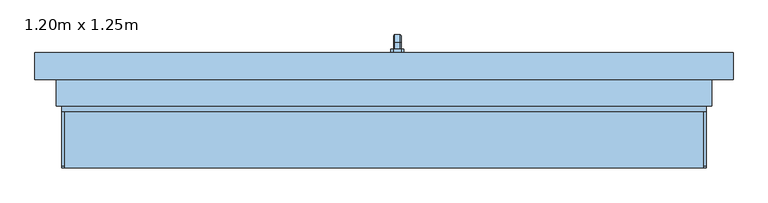
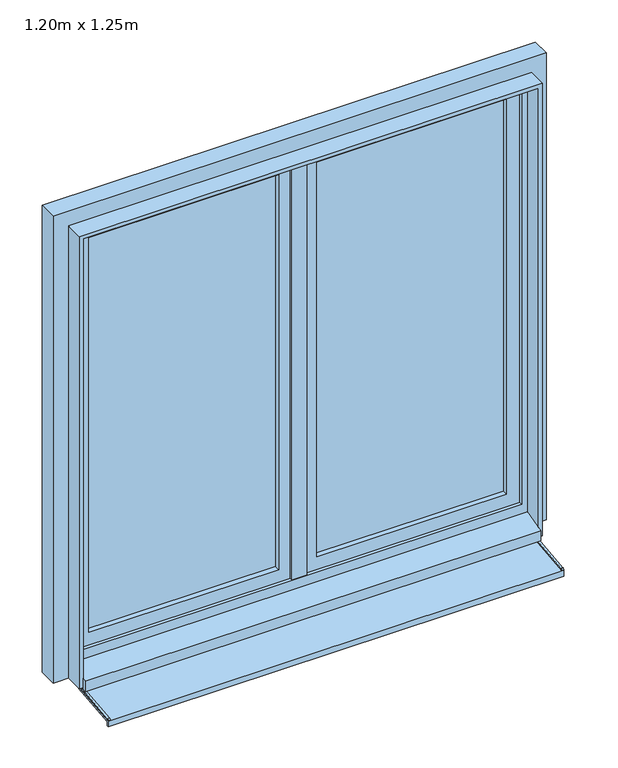
"""IFC4 building model written with IfcOpenShell, lengths in millimetres: window geometry, 1.20m x 1.25m."""

from ifc_helpers import new_model, si_unit, point, frame, frame_2d, origin, place, context, project, spatial, polyline, circle_curve, trimmed, segment, composite_curve, outline, extrude, faceted_brep, source, transform, mapped, element, save


def window_1_20m_x_1_25m_c4d425f4(model_context):
    return source(origin(), model_context, "Body", "SolidModel", [
        faceted_brep([(30.6460097, 106.0, 1422.0339292), (19.3539903, 106.0, 1422.0339292), (17.9660708, 106.0, 1420.6460097), (17.9660708, 106.0, 1409.3323012), (19.3323012, 106.0, 1407.9660708), (30.6676988, 106.0, 1407.9660708), (32.0339292, 106.0, 1409.3323012), (32.0339292, 106.0, 1420.6460097), (32.0339292, 118.3386538, 1420.6460097), (30.6460097, 118.9135489, 1422.0339292), (32.0339292, 113.6523623, 1409.3323012), (32.0339292, 120.3323012, 1402.6523623), (32.0339292, 120.3323012, 1320.0), (32.0339292, 131.6460097, 1320.0), (32.0339292, 131.6460097, 1407.3386538), (30.6676988, 113.0864511, 1407.9660708), (19.3323012, 113.0864511, 1407.9660708), (17.9660708, 113.6523623, 1409.3323012), (17.9660708, 118.3386538, 1420.6460097), (17.9660708, 131.6460097, 1407.3386538), (17.9660708, 131.6460097, 1320.0), (17.9660708, 120.3323012, 1320.0), (17.9660708, 120.3323012, 1402.6523623), (19.3539903, 118.9135489, 1422.0339292), (30.6460097, 133.0339292, 1407.9135489), (30.6676988, 118.9660708, 1402.0864511), (19.3323012, 118.9660708, 1402.0864511), (19.3539903, 133.0339292, 1407.9135489), (30.6460097, 133.0339292, 1320.0), (30.6676988, 118.9660708, 1320.0), (19.3323012, 118.9660708, 1320.0), (19.3539903, 133.0339292, 1320.0)], [[[0, 1, 2, 3, 4, 5, 6, 7]], [[7, 8, 9, 0]], [[6, 10, 11, 12, 13, 14, 8, 7]], [[5, 15, 10, 6]], [[4, 16, 15, 5]], [[3, 17, 16, 4]], [[2, 18, 19, 20, 21, 22, 17, 3]], [[1, 23, 18, 2]], [[0, 9, 23, 1]], [[8, 14, 24, 9]], [[15, 25, 11, 10]], [[16, 26, 25, 15]], [[17, 22, 26, 16]], [[23, 27, 19, 18]], [[9, 24, 27, 23]], [[28, 13, 12, 29, 30, 21, 20, 31]], [[14, 13, 28, 24]], [[25, 29, 12, 11]], [[26, 30, 29, 25]], [[22, 21, 30, 26]], [[27, 31, 20, 19]], [[24, 28, 31, 27]]]),
        extrude(outline(polyline([(1440.0, 32.0), (1440.0, 18.0), (1435.0, 13.0), (1365.0, 13.0), (1360.0, 18.0), (1360.0, 32.0), (1365.0, 37.0), (1435.0, 37.0), (1440.0, 32.0)])), frame((0.0, 100.0, 0.0), z_axis=(0.0, 1.0, 0.0), x_axis=(0.0, 0.0, 1.0)), (0.0, 0.0, 1.0), 6.0),
        extrude(outline(polyline([(-115.0, 776.06614), (15.0, 789.7296906), (15.0, 800.0), (20.0, 800.0), (20.0, 785.0), (-110.0, 771.3364494), (-110.0, 761.0359447), (-115.0, 760.5104235), (-115.0, 776.06614)])), frame((-600.0, 0.0, 0.0), z_axis=(1.0, 0.0, 0.0), x_axis=(0.0, 1.0, 0.0)), (0.0, 0.0, 1.0), 1200.0),
        extrude(outline(composite_curve([segment(polyline([(-115.0, 776.06614), (-115.0, 777.4920652)]), True, "CONTINUOUS"), segment(trimmed(circle_curve(frame_2d((-111.0, 777.4920652)), 4.0), [point((-115.0, 777.4920652))], [point((-111.4181139, 781.4701528))], False, "CARTESIAN"), True, "CONTINUOUS"), segment(polyline([(-111.4181139, 781.4701528), (15.0, 794.757232), (15.0, 789.7296906), (-115.0, 776.06614)]), True, "CONTINUOUS")], self_intersect=False)), frame((-600.0, 0.0, 0.0), z_axis=(1.0, 0.0, 0.0), x_axis=(0.0, 1.0, 0.0)), (0.0, 0.0, 1.0), 5.0),
        extrude(outline(composite_curve([segment(polyline([(-115.0, 776.06614), (-115.0, 777.4920652)]), True, "CONTINUOUS"), segment(trimmed(circle_curve(frame_2d((-111.0, 777.4920652)), 4.0), [point((-115.0, 777.4920652))], [point((-111.4181139, 781.4701528))], False, "CARTESIAN"), True, "CONTINUOUS"), segment(polyline([(-111.4181139, 781.4701528), (15.0, 794.757232), (15.0, 789.7296906), (-115.0, 776.06614)]), True, "CONTINUOUS")], self_intersect=False)), frame((595.0, 0.0, 0.0), z_axis=(1.0, 0.0, 0.0), x_axis=(0.0, 1.0, 0.0)), (0.0, 0.0, 1.0), 5.0),
        extrude(outline(polyline([(850.0, -600.0), (850.0, 0.0), (2050.0, 0.0), (2050.0, -600.0), (850.0, -600.0)]), holes=[polyline([(900.0, -50.0), (900.0, -550.0), (2000.0, -550.0), (2000.0, -50.0), (900.0, -50.0)])]), frame((0.0, 60.0, 0.0), z_axis=(0.0, 1.0, 0.0), x_axis=(0.0, 0.0, 1.0)), (0.0, 0.0, 1.0), 40.0),
        extrude(outline(polyline([(50.0, 74.0), (50.0, 86.0), (550.0, 86.0), (550.0, 74.0), (50.0, 74.0)])), frame((0.0, 0.0, 900.0), z_axis=(0.0, 0.0, 1.0), x_axis=(1.0, 0.0, 0.0)), (0.0, 0.0, 1.0), 1100.0),
        extrude(outline(polyline([(-550.0, 74.0), (-550.0, 86.0), (-50.0, 86.0), (-50.0, 74.0), (-550.0, 74.0)])), frame((0.0, 0.0, 900.0), z_axis=(0.0, 0.0, 1.0), x_axis=(1.0, 0.0, 0.0)), (0.0, 0.0, 1.0), 1100.0),
        extrude(outline(polyline([(850.0, 0.0), (850.0, 600.0), (2050.0, 600.0), (2050.0, 0.0), (850.0, 0.0)]), holes=[polyline([(900.0, 550.0), (900.0, 50.0), (2000.0, 50.0), (2000.0, 550.0), (900.0, 550.0)])]), frame((0.0, 60.0, 0.0), z_axis=(0.0, 1.0, 0.0), x_axis=(0.0, 0.0, 1.0)), (0.0, 0.0, 1.0), 40.0),
        faceted_brep([(-650.0, 100.0, 800.0), (650.0, 100.0, 800.0), (650.0, 50.0, 800.0), (600.0, 50.0, 800.0), (600.0, 0.0, 800.0), (-600.0, 0.0, 800.0), (-600.0, 50.0, 800.0), (-650.0, 50.0, 800.0), (-650.0, 50.0, 2100.0), (-650.0, 100.0, 2100.0), (-600.0, 50.0, 839.3761425), (600.0, 50.0, 839.3761425), (650.0, 50.0, 2100.0), (-585.0, 50.0, 2035.0), (585.0, 50.0, 2035.0), (585.0, 50.0, 865.0), (-585.0, 50.0, 865.0), (-600.0, 0.0, 795.0), (-600.0, -10.0, 795.0), (-600.0, -10.0, 823.2991909), (600.0, 0.0, 795.0), (600.0, -10.0, 823.2991909), (600.0, -10.0, 795.0), (650.0, 100.0, 2100.0), (600.0, 100.0, 2050.0), (-600.0, 100.0, 2050.0), (-600.0, 100.0, 850.0), (600.0, 100.0, 850.0), (-585.0, 60.0, 865.0), (-585.0, 60.0, 2035.0), (585.0, 60.0, 865.0), (585.0, 60.0, 2035.0), (600.0, 60.0, 2050.0), (600.0, 60.0, 850.0), (-600.0, 60.0, 850.0), (-600.0, 60.0, 2050.0)], [[[0, 1, 2, 3, 4, 5, 6, 7]], [[7, 8, 9, 0]], [[7, 6, 10, 11, 3, 2, 12, 8], [13, 14, 15, 16]], [[10, 6, 5, 17, 18, 19]], [[5, 4, 20, 17]], [[4, 3, 11, 21, 22, 20]], [[2, 1, 23, 12]], [[0, 9, 23, 1], [24, 25, 26, 27]], [[13, 16, 28, 29]], [[28, 16, 15, 30]], [[31, 30, 15, 14]], [[19, 21, 11, 10]], [[32, 33, 34, 35], [29, 28, 30, 31]], [[34, 26, 25, 35]], [[26, 34, 33, 27]], [[24, 27, 33, 32]], [[18, 22, 21, 19]], [[17, 20, 22, 18]], [[13, 29, 31, 14]], [[35, 25, 24, 32]], [[12, 23, 9, 8]]]),
        extrude(outline(polyline([(800.0, -600.0), (2050.0, -600.0), (2050.0, 600.0), (800.0, 600.0), (800.0, 610.0), (2060.0, 610.0), (2060.0, -610.0), (800.0, -610.0), (800.0, -600.0)])), frame((0.0, 0.0, 0.0), z_axis=(0.0, 1.0, 0.0), x_axis=(0.0, 0.0, 1.0)), (0.0, 0.0, 1.0), 50.0),
        extrude(outline(polyline([(20.0, 52.0), (-20.0, 52.0), (-20.0, 60.0), (20.0, 60.0), (20.0, 52.0)])), frame((0.0, 0.0, 865.0), z_axis=(0.0, 0.0, 1.0), x_axis=(1.0, 0.0, 0.0)), (0.0, 0.0, 1.0), 1170.0),
    ])


if __name__ == "__main__":
    model = new_model("IFC4")
    model_context = context("Model", 3, world=origin())
    ifc_project = project(units=[si_unit("LENGTHUNIT", "METRE", prefix="MILLI")], contexts=[model_context])
    site = spatial("IfcSite", under=ifc_project)
    building = spatial("IfcBuilding", under=site)
    placement = place(None, origin())
    window_1_20m_x_1_25m_shape = window_1_20m_x_1_25m_c4d425f4(model_context)
    element("IfcWindow", 1, ObjectType="1.20m x 1.25m", at=placement, inside=building, context=model_context, shape_type="MappedRepresentation", body=[
        mapped(window_1_20m_x_1_25m_shape, transform((0.0, 0.0, 0.0), x_axis=(1.0, 0.0, 0.0), y_axis=(0.0, 1.0, 0.0), z_axis=(0.0, 0.0, 1.0))),
    ])
    save(model, "model.ifc")
